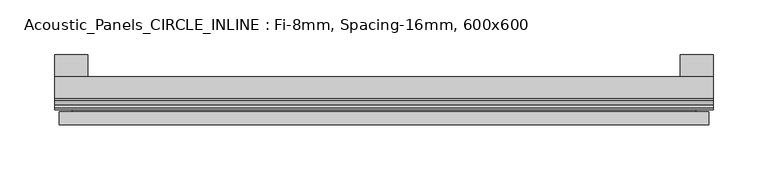
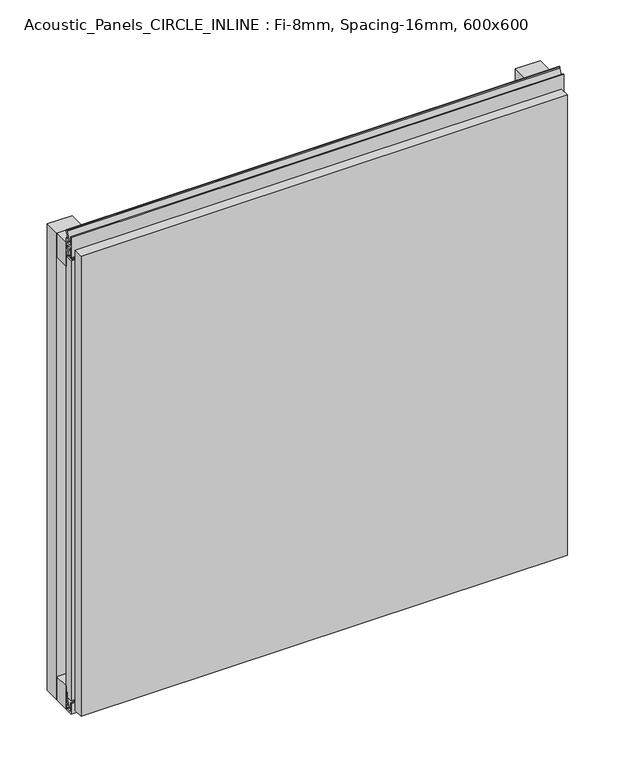
"""IFC4 building model written with IfcOpenShell, lengths in millimetres: plate geometry, Acoustic_Panels_CIRCLE_INLINE : Fi-8mm, Spacing-16mm, 600x600."""

from ifc_helpers import new_model, si_unit, frame, origin, origin_with_axes, place, context, project, spatial, polyline, outline, extrude, faceted_brep, source, transform, mapped, element, save


def acoustic_panels_circle_inline_fi_8mm_spacing_16mm_600x600_9d876df5(model_context):
    return source(origin(), model_context, "Body", "SolidModel", [
        extrude(outline(polyline([(-300.0, -40.0), (-300.0, -20.0), (300.0, -20.0), (300.0, -40.0), (-300.0, -40.0)])), frame((0.0, 0.0, 570.0), z_axis=(0.0, 0.0, 1.0), x_axis=(1.0, 0.0, 0.0)), (0.0, 0.0, 1.0), 30.0),
        extrude(outline(polyline([(-300.0, -40.0), (-300.0, -20.0), (300.0, -20.0), (300.0, -40.0), (-300.0, -40.0)])), origin_with_axes(), (0.0, 0.0, 1.0), 30.0),
        extrude(outline(polyline([(270.0, 0.0), (300.0, 0.0), (300.0, -20.0), (270.0, -20.0), (270.0, 0.0)])), origin_with_axes(), (0.0, 0.0, 1.0), 600.0),
        extrude(outline(polyline([(-270.0, 0.0), (-270.0, -20.0), (-300.0, -20.0), (-300.0, 0.0), (-270.0, 0.0)])), origin_with_axes(), (0.0, 0.0, 1.0), 600.0),
        extrude(outline(polyline([(-40.0, 6.299084), (-40.0, 0.0), (-50.1, 0.0), (-50.1, 13.4156807), (-48.7, 13.4156807), (-48.7, 1.4156807), (-41.4, 1.4156807), (-41.4, 4.899084), (-45.5140545, 4.899084), (-41.4553267, 15.5703394), (-41.4553267, 22.991548), (-40.0553267, 22.991548), (-40.0553267, 15.3558599), (-43.5, 6.299084), (-40.0, 6.299084)])), frame((-300.0, 0.0, 0.0), z_axis=(1.0, 0.0, 0.0), x_axis=(0.0, 1.0, 0.0)), (0.0, 0.0, 1.0), 600.0),
        extrude(outline(polyline([(-293.700916, -40.0), (-293.700916, -43.5), (-284.6441401, -40.0553267), (-277.008452, -40.0553267), (-277.008452, -41.4553267), (-284.4296606, -41.4553267), (-295.100916, -45.5140545), (-295.100916, -41.4), (-298.5843193, -41.4), (-298.5843193, -48.7), (-286.5843193, -48.7), (-286.5843193, -50.1), (-300.0, -50.1), (-300.0, -40.0), (-293.700916, -40.0)])), frame((0.0, 0.0, 16.9558599), z_axis=(0.0, 0.0, 1.0), x_axis=(1.0, 0.0, 0.0)), (0.0, 0.0, 1.0), 566.0882802),
        extrude(outline(polyline([(-48.7, 600.899084), (-41.4, 600.899084), (-41.4, 604.899084), (-45.5140545, 604.899084), (-41.4553267, 615.5703394), (-41.4553267, 616.9558599), (-40.0553267, 616.9558599), (-40.0553267, 615.3558599), (-43.5, 606.299084), (-40.0, 606.299084), (-40.0, 593.700916), (-43.5, 593.700916), (-40.0553267, 584.6441401), (-40.0553267, 583.0441401), (-41.4553267, 583.0441401), (-41.4553267, 584.4296606), (-45.5140545, 595.100916), (-41.4, 595.100916), (-41.4, 599.100916), (-48.7, 599.100916), (-48.7, 587.100916), (-50.1, 587.100916), (-50.1, 612.899084), (-48.7, 612.899084), (-48.7, 600.899084)])), frame((-300.0, 0.0, 0.0), z_axis=(1.0, 0.0, 0.0), x_axis=(0.0, 1.0, 0.0)), (0.0, 0.0, 1.0), 600.0),
        faceted_brep([(296.0, -45.9, 596.0), (-296.0, -45.9, 596.0), (-296.0, -48.7, 596.0), (296.0, -48.7, 596.0), (-296.0, -63.9, 596.0), (296.0, -63.9, 596.0), (296.0, -51.9, 596.0), (-296.0, -51.9, 596.0), (-296.0, -45.9, 4.0), (296.0, -45.9, 4.0), (296.0, -48.7, 4.0), (-296.0, -48.7, 4.0), (296.0, -63.9, 4.0), (-296.0, -63.9, 4.0), (-296.0, -51.9, 4.0), (296.0, -51.9, 4.0), (284.0, -51.9, 584.0), (284.0, -51.9, 16.0), (284.0, -48.7, 16.0), (284.0, -48.7, 584.0), (-284.0, -51.9, 16.0), (-284.0, -48.7, 16.0), (-284.0, -51.9, 584.0), (-284.0, -48.7, 584.0)], [[[0, 1, 2, 3]], [[4, 5, 6, 7]], [[8, 9, 10, 11]], [[12, 13, 14, 15]], [[1, 0, 9, 8]], [[1, 8, 11, 2]], [[13, 4, 7, 14]], [[5, 4, 13, 12]], [[9, 0, 3, 10]], [[5, 12, 15, 6]], [[16, 17, 18, 19]], [[18, 17, 20, 21]], [[21, 20, 22, 23]], [[16, 19, 23, 22]], [[7, 6, 15, 14], [17, 16, 22, 20]], [[3, 2, 11, 10], [19, 18, 21, 23]]]),
    ])


if __name__ == "__main__":
    model = new_model("IFC4")
    model_context = context("Model", 3, world=origin())
    ifc_project = project(units=[si_unit("LENGTHUNIT", "METRE", prefix="MILLI")], contexts=[model_context])
    site = spatial("IfcSite", under=ifc_project)
    building = spatial("IfcBuilding", under=site)
    placement = place(None, origin())
    acoustic_panels_circle_inline_fi_8mm_spacing_16mm_600x600_shape = acoustic_panels_circle_inline_fi_8mm_spacing_16mm_600x600_9d876df5(model_context)
    element("IfcPlate", 1, ObjectType="Acoustic_Panels_CIRCLE_INLINE : Fi-8mm, Spacing-16mm, 600x600", at=placement, inside=building, context=model_context, shape_type="MappedRepresentation", body=[
        mapped(acoustic_panels_circle_inline_fi_8mm_spacing_16mm_600x600_shape, transform((0.0, 0.0, 0.0), x_axis=(1.0, 0.0, 0.0), y_axis=(0.0, 1.0, 0.0), z_axis=(0.0, 0.0, 1.0))),
    ])
    save(model, "model.ifc")
